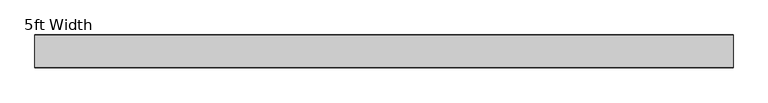
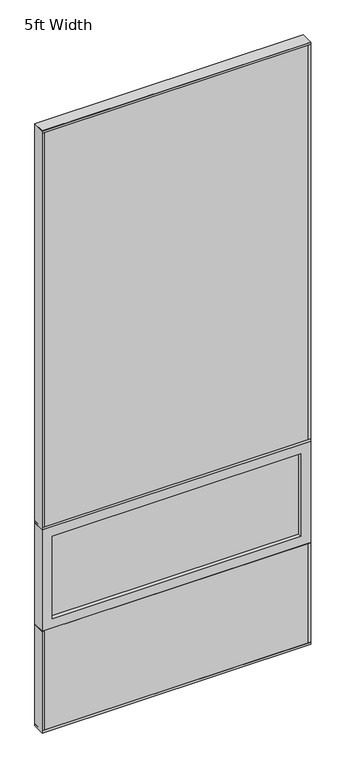
"""IFC4 building model written with IfcOpenShell, lengths in millimetres: plate geometry, 5ft Width."""

from ifc_helpers import new_model, si_unit, frame, origin, origin_with_axes, place, context, project, spatial, polyline, outline, extrude, source, transform, mapped, element, save


def plate_5ft_width_8afa89d1(model_context):
    return source(origin(), model_context, "Body", "SweptSolid", [
        extrude(outline(polyline([(762.0, 34.925), (762.0, -34.925), (-762.0, -34.925), (-762.0, 34.925), (762.0, 34.925)])), frame((0.0, 0.0, 1219.2), z_axis=(0.0, 0.0, 1.0), x_axis=(1.0, 0.0, 0.0)), (0.0, 0.0, 1.0), 2393.95),
        extrude(outline(polyline([(762.0, 34.925), (762.0, -34.925), (-762.0, -34.925), (-762.0, 34.925), (762.0, 34.925)])), origin_with_axes(), (0.0, 0.0, 1.0), 609.6),
        extrude(outline(polyline([(-704.85, 12.7), (704.85, 12.7), (704.85, -12.7), (-704.85, -12.7), (-704.85, 12.7)])), frame((0.0, 0.0, 666.75), z_axis=(0.0, 0.0, 1.0), x_axis=(1.0, 0.0, 0.0)), (0.0, 0.0, 1.0), 495.3),
        extrude(outline(polyline([(1219.2, -762.0), (609.6, -762.0), (609.6, 762.0), (1219.2, 762.0), (1219.2, -762.0)]), holes=[polyline([(1162.05, 704.85), (666.75, 704.85), (666.75, -704.85), (1162.05, -704.85), (1162.05, 704.85)])]), frame((0.0, -34.925, 0.0), z_axis=(0.0, 1.0, 0.0), x_axis=(0.0, 0.0, 1.0)), (0.0, 0.0, 1.0), 69.85),
        extrude(outline(polyline([(762.0, 35.71875), (762.0, -35.71875), (-762.0, -35.71875), (-762.0, 35.71875), (762.0, 35.71875)])), origin_with_axes(), (0.0, 0.0, 1.0), 12.7),
        extrude(outline(polyline([(749.3, 35.71875), (762.0, 35.71875), (762.0, -35.71875), (749.3, -35.71875), (749.3, 35.71875)])), origin_with_axes(), (0.0, 0.0, 1.0), 609.6),
        extrude(outline(polyline([(-749.3, 35.71875), (-749.3, -35.71875), (-762.0, -35.71875), (-762.0, 35.71875), (-749.3, 35.71875)])), origin_with_axes(), (0.0, 0.0, 1.0), 609.6),
        extrude(outline(polyline([(762.0, 35.71875), (762.0, -35.71875), (-762.0, -35.71875), (-762.0, 35.71875), (762.0, 35.71875)])), frame((0.0, 0.0, 1219.2), z_axis=(0.0, 0.0, 1.0), x_axis=(1.0, 0.0, 0.0)), (0.0, 0.0, 1.0), 12.7),
        extrude(outline(polyline([(762.0, 35.71875), (762.0, -35.71875), (-762.0, -35.71875), (-762.0, 35.71875), (762.0, 35.71875)])), frame((0.0, 0.0, 3600.45), z_axis=(0.0, 0.0, 1.0), x_axis=(1.0, 0.0, 0.0)), (0.0, 0.0, 1.0), 12.7),
        extrude(outline(polyline([(762.0, 35.71875), (762.0, -35.71875), (749.3, -35.71875), (749.3, 35.71875), (762.0, 35.71875)])), frame((0.0, 0.0, 1219.2), z_axis=(0.0, 0.0, 1.0), x_axis=(1.0, 0.0, 0.0)), (0.0, 0.0, 1.0), 2393.95),
        extrude(outline(polyline([(-749.3, 35.71875), (-749.3, -35.71875), (-762.0, -35.71875), (-762.0, 35.71875), (-749.3, 35.71875)])), frame((0.0, 0.0, 1219.2), z_axis=(0.0, 0.0, 1.0), x_axis=(1.0, 0.0, 0.0)), (0.0, 0.0, 1.0), 2393.95),
    ])


if __name__ == "__main__":
    model = new_model("IFC4")
    model_context = context("Model", 3, world=origin())
    ifc_project = project(units=[si_unit("LENGTHUNIT", "METRE", prefix="MILLI")], contexts=[model_context])
    site = spatial("IfcSite", under=ifc_project)
    building = spatial("IfcBuilding", under=site)
    placement = place(None, origin())
    plate_5ft_width_shape = plate_5ft_width_8afa89d1(model_context)
    element("IfcPlate", 1, ObjectType="5ft Width", at=placement, inside=building, context=model_context, shape_type="MappedRepresentation", body=[
        mapped(plate_5ft_width_shape, transform((0.0, 0.0, 0.0), x_axis=(1.0, 0.0, 0.0), y_axis=(0.0, 1.0, 0.0), z_axis=(0.0, 0.0, 1.0))),
    ])
    save(model, "model.ifc")
